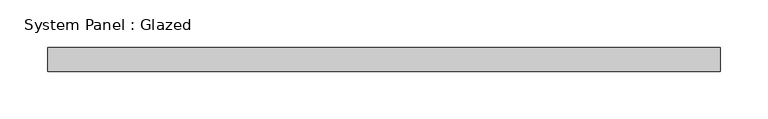
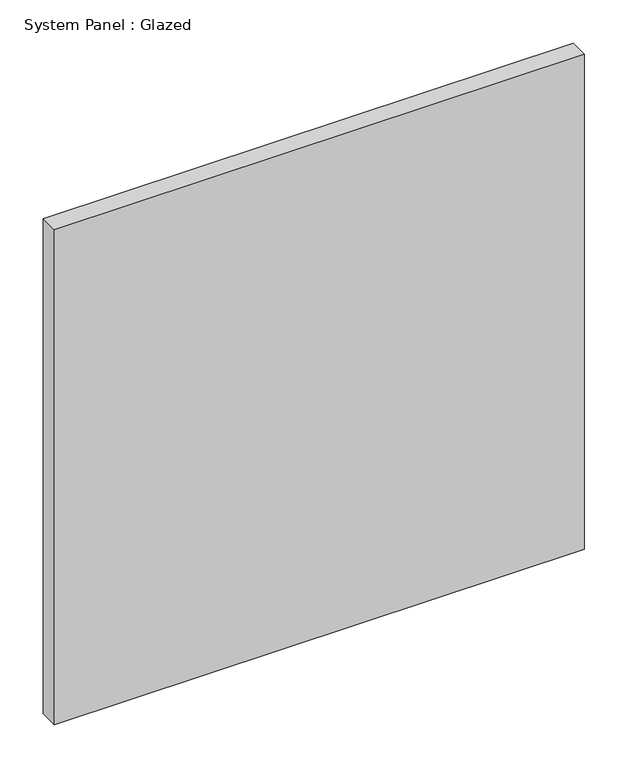
"""IFC4 building model written with IfcOpenShell, lengths in millimetres: plate geometry, System Panel : Glazed."""

import ifcopenshell
import ifcopenshell.guid

model = None  # the IFC model being written
_history = None  # IfcOwnerHistory: only IFC2X3 demands one
_inside = {}  # id of a spatial element -> (the spatial element, [elements in it])
_under = {}  # id of a project, library or spatial element -> (it, [spatial elements below it])
_declared = {}  # id of a project -> (the project, [libraries it declares])
_typed = {}  # id of a type object -> (the type object, [elements of that type])
_made_of = {}  # id of a material, layer set ... -> (it, [elements and type objects made of it])


def new_model(schema):
    """Start an empty IFC model of exactly this schema.

    Asked for "IFC4X3", IfcOpenShell would pick the latest addendum, in which some entities
    have other attributes; the version numbers below select the first issue.
    IFC2X3 requires an IfcOwnerHistory on every rooted entity: one is made here for all.
    """
    global model, _history
    if schema == "IFC4X3":
        model = ifcopenshell.file(schema_version=(4, 3, 0, 0))
    else:
        model = ifcopenshell.file(schema=schema)
    _inside.clear()
    _under.clear()
    _declared.clear()
    _typed.clear()
    _made_of.clear()
    _history = None
    if model.schema == "IFC2X3":
        org = make("IfcOrganization", Name="unknown")
        user = make(
            "IfcPersonAndOrganization",
            ThePerson=make("IfcPerson", FamilyName="unknown"),
            TheOrganization=org,
        )
        app = make(
            "IfcApplication",
            ApplicationDeveloper=org,
            Version="unknown",
            ApplicationFullName="unknown",
            ApplicationIdentifier="unknown",
        )
        _history = make(
            "IfcOwnerHistory",
            OwningUser=user,
            OwningApplication=app,
            ChangeAction="ADDED",
            CreationDate=0,
        )
    return model


def make(cls, **values):
    """One entity of the class cls with the attributes given. An attribute that is None is left unset."""
    return model.create_entity(
        cls, **{name: value for name, value in values.items() if value is not None}
    )


def rooted(cls, **values):
    """An entity with a GlobalId (a new one), such as an element, a storey or a relation."""
    return make(cls, GlobalId=ifcopenshell.guid.new(), OwnerHistory=_history, **values)


def si_unit(unit_type, name, prefix=None):
    """IfcSIUnit, for example si_unit("LENGTHUNIT", "METRE", prefix="MILLI")."""
    return make("IfcSIUnit", UnitType=unit_type, Prefix=prefix, Name=name)


def assignment(units):
    """IfcUnitAssignment: the units of a project."""
    return None if units is None else make("IfcUnitAssignment", Units=units)


def point(xyz):
    """IfcCartesianPoint."""
    return None if xyz is None else make("IfcCartesianPoint", Coordinates=xyz)


def direction(xyz):
    """IfcDirection."""
    return None if xyz is None else make("IfcDirection", DirectionRatios=xyz)


def frame(location, z_axis=None, x_axis=None):
    """IfcAxis2Placement3D, a coordinate frame: its origin and axes. An axis left out is left unset."""
    return make(
        "IfcAxis2Placement3D",
        Location=point(location),
        Axis=direction(z_axis),
        RefDirection=direction(x_axis),
    )


def origin():
    """The frame at (0, 0, 0) with its axes left unset."""
    return frame((0.0, 0.0, 0.0))


def origin_with_axes():
    """The frame at (0, 0, 0) with the z axis (0, 0, 1) and the x axis (1, 0, 0) written out."""
    return frame((0.0, 0.0, 0.0), z_axis=(0.0, 0.0, 1.0), x_axis=(1.0, 0.0, 0.0))


def place(relative_to, where):
    """IfcLocalPlacement: puts the frame where relative to a parent placement (None: the world)."""
    return make(
        "IfcLocalPlacement", PlacementRelTo=relative_to, RelativePlacement=where
    )


def context(
    kind, dimensions, precision=None, world=None, true_north=None, identifier=None
):
    """IfcGeometricRepresentationContext, for example the 3D "Model" context."""
    return make(
        "IfcGeometricRepresentationContext",
        ContextIdentifier=identifier,
        ContextType=kind,
        CoordinateSpaceDimension=dimensions,
        Precision=precision,
        WorldCoordinateSystem=world,
        TrueNorth=true_north,
    )


def project(units=None, contexts=None):
    """IfcProject with its units and contexts."""
    return rooted(
        "IfcProject",
        Name="project",
        RepresentationContexts=contexts,
        UnitsInContext=assignment(units),
    )


def spatial(cls, under=None, at=None, **own):
    """A site, building, storey or space (cls), placed at a placement, below another one or the project."""
    s = rooted(cls, ObjectPlacement=at, **own)
    if under is not None:
        _under.setdefault(under.id(), (under, []))[1].append(s)
    return s


def polyline(points):
    """IfcPolyline through the points."""
    return make("IfcPolyline", Points=[point(p) for p in points])


def outline(outer, holes=None, kind="AREA"):
    """IfcArbitraryClosedProfileDef: a profile drawn as a closed curve; with holes, ...WithVoids."""
    if holes is None:
        return make("IfcArbitraryClosedProfileDef", ProfileType=kind, OuterCurve=outer)
    return make(
        "IfcArbitraryProfileDefWithVoids",
        ProfileType=kind,
        OuterCurve=outer,
        InnerCurves=holes,
    )


def extrude(swept, where, along, depth):
    """IfcExtrudedAreaSolid: the profile swept, set in the frame where, extruded along a direction by depth."""
    return make(
        "IfcExtrudedAreaSolid",
        SweptArea=swept,
        Position=where,
        ExtrudedDirection=direction(along),
        Depth=depth,
    )


def shape(context_of_items, identifier, shape_type, items):
    """IfcShapeRepresentation: the items that make up one representation, for example the "Body"."""
    return make(
        "IfcShapeRepresentation",
        ContextOfItems=context_of_items,
        RepresentationIdentifier=identifier,
        RepresentationType=shape_type,
        Items=items,
    )


def source(mapping_origin, context_of_items, identifier, shape_type, items):
    """IfcRepresentationMap: a shape defined once, which mapped items show again and again."""
    return make(
        "IfcRepresentationMap",
        MappingOrigin=mapping_origin,
        MappedRepresentation=shape(context_of_items, identifier, shape_type, items),
    )


def transform(
    local_origin,
    x_axis=None,
    y_axis=None,
    z_axis=None,
    scale=None,
    scale2=None,
    scale3=None,
    uniform=True,
):
    """IfcCartesianTransformationOperator3D, or its non-uniform kind. x_axis, y_axis, z_axis: its Axis1, 2, 3."""
    if uniform:
        return make(
            "IfcCartesianTransformationOperator3D",
            Axis1=direction(x_axis),
            Axis2=direction(y_axis),
            LocalOrigin=point(local_origin),
            Scale=scale,
            Axis3=direction(z_axis),
        )
    return make(
        "IfcCartesianTransformationOperator3DnonUniform",
        Axis1=direction(x_axis),
        Axis2=direction(y_axis),
        LocalOrigin=point(local_origin),
        Scale=scale,
        Axis3=direction(z_axis),
        Scale2=scale2,
        Scale3=scale3,
    )


def mapped(mapping_source, mapping_target):
    """IfcMappedItem: shows the shape of a source again, moved by a transform."""
    return make(
        "IfcMappedItem", MappingSource=mapping_source, MappingTarget=mapping_target
    )


def made_of(thing, what):
    """Note that an element or type object is made of a material, layer set ...; save() writes the relation."""
    if what is not None:
        _made_of.setdefault(what.id(), (what, []))[1].append(thing)
    return thing


def element(
    cls,
    number,
    at=None,
    inside=None,
    cuts=None,
    type_object=None,
    material=None,
    context=None,
    identifier="Body",
    shape_type=None,
    held_by="IfcProductDefinitionShape",
    body=None,
    shapes=None,
    **own,
):
    """One element of the class cls, such as IfcWall. Its Tag is "e" and its number.

    at: its placement. inside: the storey or other place that contains it. cuts: it is an
    opening in that element (IfcRelVoidsElement). A single representation is given by context,
    identifier, shape_type and body (its items); several are given by shapes. held_by: the class
    of the entity that holds the representations. save() writes the other relations.
    """
    e = rooted(cls, Tag="e%d" % number, ObjectPlacement=at, **own)
    if body is not None:
        shapes = [shape(context, identifier, shape_type, body)]
    if shapes is not None:
        e.Representation = make(held_by, Representations=shapes)
    if inside is not None:
        _inside.setdefault(inside.id(), (inside, []))[1].append(e)
    if cuts is not None:
        rooted(
            "IfcRelVoidsElement", RelatingBuildingElement=cuts, RelatedOpeningElement=e
        )
    if type_object is not None:
        _typed.setdefault(type_object.id(), (type_object, []))[1].append(e)
    return made_of(e, material)


def aggregate(whole, parts):
    """IfcRelAggregates: a whole, such as a stair, and the parts it consists of."""
    return rooted("IfcRelAggregates", RelatingObject=whole, RelatedObjects=parts)


def save(model, path):
    """Write the relations noted so far, then the file.

    IfcRelAggregates (storeys below a building ...), IfcRelContainedInSpatialStructure (elements
    in a storey), IfcRelDefinesByType, IfcRelAssociatesMaterial and IfcRelDeclares: one each for
    every whole, place, type object, material and project.
    """
    for whole, parts in _under.values():
        aggregate(whole, parts)
    for where, things in _inside.values():
        rooted(
            "IfcRelContainedInSpatialStructure",
            RelatedElements=things,
            RelatingStructure=where,
        )
    for kind, things in _typed.values():
        rooted("IfcRelDefinesByType", RelatedObjects=things, RelatingType=kind)
    for what, things in _made_of.values():
        rooted("IfcRelAssociatesMaterial", RelatedObjects=things, RelatingMaterial=what)
    for by, libraries in _declared.values():
        rooted("IfcRelDeclares", RelatingContext=by, RelatedDefinitions=libraries)
    model.write(path)


def system_panel_glazed_91e44cd5(model_context):
    return source(origin(), model_context, "Body", "SweptSolid", [
        extrude(outline(polyline([(353.7982308, 19.05), (-353.7982308, 19.05), (-353.7982308, 44.45), (353.7982308, 44.45), (353.7982308, 19.05)])), origin_with_axes(), (0.0, 0.0, 1.0), 698.5),
    ])


if __name__ == "__main__":
    model = new_model("IFC4")
    model_context = context("Model", 3, world=origin())
    ifc_project = project(units=[si_unit("LENGTHUNIT", "METRE", prefix="MILLI")], contexts=[model_context])
    site = spatial("IfcSite", under=ifc_project)
    building = spatial("IfcBuilding", under=site)
    placement = place(None, origin())
    system_panel_glazed_shape = system_panel_glazed_91e44cd5(model_context)
    element("IfcPlate", 1, ObjectType="System Panel : Glazed", at=placement, inside=building, context=model_context, shape_type="MappedRepresentation", body=[
        mapped(system_panel_glazed_shape, transform((0.0, 0.0, 0.0), x_axis=(1.0, 0.0, 0.0), y_axis=(0.0, 1.0, 0.0), z_axis=(0.0, 0.0, 1.0))),
    ])
    save(model, "model.ifc")
